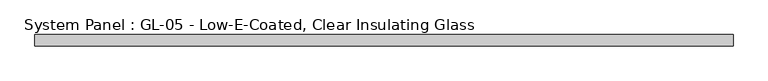
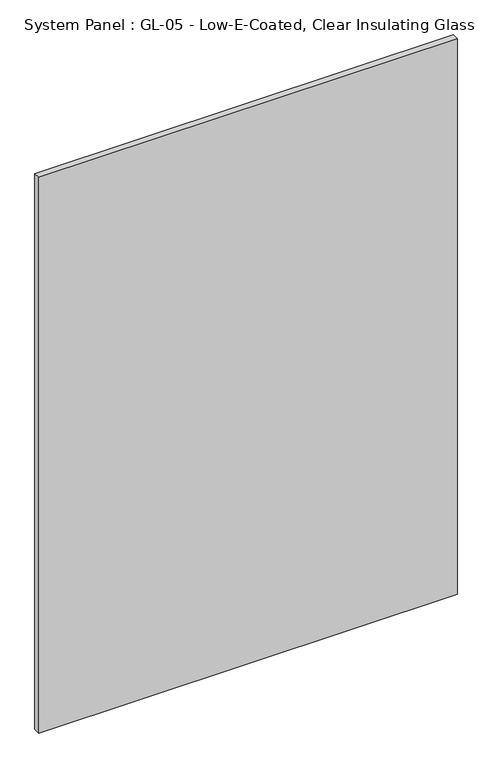
"""IFC4 building model written with IfcOpenShell, lengths in millimetres: plate geometry, System Panel : GL-05 - Low-E-Coated, Clear Insulating Glass."""

import ifcopenshell
import ifcopenshell.guid

model = None  # the IFC model being written
_history = None  # IfcOwnerHistory: only IFC2X3 demands one
_inside = {}  # id of a spatial element -> (the spatial element, [elements in it])
_under = {}  # id of a project, library or spatial element -> (it, [spatial elements below it])
_declared = {}  # id of a project -> (the project, [libraries it declares])
_typed = {}  # id of a type object -> (the type object, [elements of that type])
_made_of = {}  # id of a material, layer set ... -> (it, [elements and type objects made of it])


def new_model(schema):
    """Start an empty IFC model of exactly this schema.

    Asked for "IFC4X3", IfcOpenShell would pick the latest addendum, in which some entities
    have other attributes; the version numbers below select the first issue.
    IFC2X3 requires an IfcOwnerHistory on every rooted entity: one is made here for all.
    """
    global model, _history
    if schema == "IFC4X3":
        model = ifcopenshell.file(schema_version=(4, 3, 0, 0))
    else:
        model = ifcopenshell.file(schema=schema)
    _inside.clear()
    _under.clear()
    _declared.clear()
    _typed.clear()
    _made_of.clear()
    _history = None
    if model.schema == "IFC2X3":
        org = make("IfcOrganization", Name="unknown")
        user = make(
            "IfcPersonAndOrganization",
            ThePerson=make("IfcPerson", FamilyName="unknown"),
            TheOrganization=org,
        )
        app = make(
            "IfcApplication",
            ApplicationDeveloper=org,
            Version="unknown",
            ApplicationFullName="unknown",
            ApplicationIdentifier="unknown",
        )
        _history = make(
            "IfcOwnerHistory",
            OwningUser=user,
            OwningApplication=app,
            ChangeAction="ADDED",
            CreationDate=0,
        )
    return model


def make(cls, **values):
    """One entity of the class cls with the attributes given. An attribute that is None is left unset."""
    return model.create_entity(
        cls, **{name: value for name, value in values.items() if value is not None}
    )


def rooted(cls, **values):
    """An entity with a GlobalId (a new one), such as an element, a storey or a relation."""
    return make(cls, GlobalId=ifcopenshell.guid.new(), OwnerHistory=_history, **values)


def si_unit(unit_type, name, prefix=None):
    """IfcSIUnit, for example si_unit("LENGTHUNIT", "METRE", prefix="MILLI")."""
    return make("IfcSIUnit", UnitType=unit_type, Prefix=prefix, Name=name)


def assignment(units):
    """IfcUnitAssignment: the units of a project."""
    return None if units is None else make("IfcUnitAssignment", Units=units)


def point(xyz):
    """IfcCartesianPoint."""
    return None if xyz is None else make("IfcCartesianPoint", Coordinates=xyz)


def direction(xyz):
    """IfcDirection."""
    return None if xyz is None else make("IfcDirection", DirectionRatios=xyz)


def frame(location, z_axis=None, x_axis=None):
    """IfcAxis2Placement3D, a coordinate frame: its origin and axes. An axis left out is left unset."""
    return make(
        "IfcAxis2Placement3D",
        Location=point(location),
        Axis=direction(z_axis),
        RefDirection=direction(x_axis),
    )


def origin():
    """The frame at (0, 0, 0) with its axes left unset."""
    return frame((0.0, 0.0, 0.0))


def origin_with_axes():
    """The frame at (0, 0, 0) with the z axis (0, 0, 1) and the x axis (1, 0, 0) written out."""
    return frame((0.0, 0.0, 0.0), z_axis=(0.0, 0.0, 1.0), x_axis=(1.0, 0.0, 0.0))


def place(relative_to, where):
    """IfcLocalPlacement: puts the frame where relative to a parent placement (None: the world)."""
    return make(
        "IfcLocalPlacement", PlacementRelTo=relative_to, RelativePlacement=where
    )


def context(
    kind, dimensions, precision=None, world=None, true_north=None, identifier=None
):
    """IfcGeometricRepresentationContext, for example the 3D "Model" context."""
    return make(
        "IfcGeometricRepresentationContext",
        ContextIdentifier=identifier,
        ContextType=kind,
        CoordinateSpaceDimension=dimensions,
        Precision=precision,
        WorldCoordinateSystem=world,
        TrueNorth=true_north,
    )


def project(units=None, contexts=None):
    """IfcProject with its units and contexts."""
    return rooted(
        "IfcProject",
        Name="project",
        RepresentationContexts=contexts,
        UnitsInContext=assignment(units),
    )


def spatial(cls, under=None, at=None, **own):
    """A site, building, storey or space (cls), placed at a placement, below another one or the project."""
    s = rooted(cls, ObjectPlacement=at, **own)
    if under is not None:
        _under.setdefault(under.id(), (under, []))[1].append(s)
    return s


def polyline(points):
    """IfcPolyline through the points."""
    return make("IfcPolyline", Points=[point(p) for p in points])


def outline(outer, holes=None, kind="AREA"):
    """IfcArbitraryClosedProfileDef: a profile drawn as a closed curve; with holes, ...WithVoids."""
    if holes is None:
        return make("IfcArbitraryClosedProfileDef", ProfileType=kind, OuterCurve=outer)
    return make(
        "IfcArbitraryProfileDefWithVoids",
        ProfileType=kind,
        OuterCurve=outer,
        InnerCurves=holes,
    )


def extrude(swept, where, along, depth):
    """IfcExtrudedAreaSolid: the profile swept, set in the frame where, extruded along a direction by depth."""
    return make(
        "IfcExtrudedAreaSolid",
        SweptArea=swept,
        Position=where,
        ExtrudedDirection=direction(along),
        Depth=depth,
    )


def shape(context_of_items, identifier, shape_type, items):
    """IfcShapeRepresentation: the items that make up one representation, for example the "Body"."""
    return make(
        "IfcShapeRepresentation",
        ContextOfItems=context_of_items,
        RepresentationIdentifier=identifier,
        RepresentationType=shape_type,
        Items=items,
    )


def source(mapping_origin, context_of_items, identifier, shape_type, items):
    """IfcRepresentationMap: a shape defined once, which mapped items show again and again."""
    return make(
        "IfcRepresentationMap",
        MappingOrigin=mapping_origin,
        MappedRepresentation=shape(context_of_items, identifier, shape_type, items),
    )


def transform(
    local_origin,
    x_axis=None,
    y_axis=None,
    z_axis=None,
    scale=None,
    scale2=None,
    scale3=None,
    uniform=True,
):
    """IfcCartesianTransformationOperator3D, or its non-uniform kind. x_axis, y_axis, z_axis: its Axis1, 2, 3."""
    if uniform:
        return make(
            "IfcCartesianTransformationOperator3D",
            Axis1=direction(x_axis),
            Axis2=direction(y_axis),
            LocalOrigin=point(local_origin),
            Scale=scale,
            Axis3=direction(z_axis),
        )
    return make(
        "IfcCartesianTransformationOperator3DnonUniform",
        Axis1=direction(x_axis),
        Axis2=direction(y_axis),
        LocalOrigin=point(local_origin),
        Scale=scale,
        Axis3=direction(z_axis),
        Scale2=scale2,
        Scale3=scale3,
    )


def mapped(mapping_source, mapping_target):
    """IfcMappedItem: shows the shape of a source again, moved by a transform."""
    return make(
        "IfcMappedItem", MappingSource=mapping_source, MappingTarget=mapping_target
    )


def made_of(thing, what):
    """Note that an element or type object is made of a material, layer set ...; save() writes the relation."""
    if what is not None:
        _made_of.setdefault(what.id(), (what, []))[1].append(thing)
    return thing


def element(
    cls,
    number,
    at=None,
    inside=None,
    cuts=None,
    type_object=None,
    material=None,
    context=None,
    identifier="Body",
    shape_type=None,
    held_by="IfcProductDefinitionShape",
    body=None,
    shapes=None,
    **own,
):
    """One element of the class cls, such as IfcWall. Its Tag is "e" and its number.

    at: its placement. inside: the storey or other place that contains it. cuts: it is an
    opening in that element (IfcRelVoidsElement). A single representation is given by context,
    identifier, shape_type and body (its items); several are given by shapes. held_by: the class
    of the entity that holds the representations. save() writes the other relations.
    """
    e = rooted(cls, Tag="e%d" % number, ObjectPlacement=at, **own)
    if body is not None:
        shapes = [shape(context, identifier, shape_type, body)]
    if shapes is not None:
        e.Representation = make(held_by, Representations=shapes)
    if inside is not None:
        _inside.setdefault(inside.id(), (inside, []))[1].append(e)
    if cuts is not None:
        rooted(
            "IfcRelVoidsElement", RelatingBuildingElement=cuts, RelatedOpeningElement=e
        )
    if type_object is not None:
        _typed.setdefault(type_object.id(), (type_object, []))[1].append(e)
    return made_of(e, material)


def aggregate(whole, parts):
    """IfcRelAggregates: a whole, such as a stair, and the parts it consists of."""
    return rooted("IfcRelAggregates", RelatingObject=whole, RelatedObjects=parts)


def save(model, path):
    """Write the relations noted so far, then the file.

    IfcRelAggregates (storeys below a building ...), IfcRelContainedInSpatialStructure (elements
    in a storey), IfcRelDefinesByType, IfcRelAssociatesMaterial and IfcRelDeclares: one each for
    every whole, place, type object, material and project.
    """
    for whole, parts in _under.values():
        aggregate(whole, parts)
    for where, things in _inside.values():
        rooted(
            "IfcRelContainedInSpatialStructure",
            RelatedElements=things,
            RelatingStructure=where,
        )
    for kind, things in _typed.values():
        rooted("IfcRelDefinesByType", RelatedObjects=things, RelatingType=kind)
    for what, things in _made_of.values():
        rooted("IfcRelAssociatesMaterial", RelatedObjects=things, RelatingMaterial=what)
    for by, libraries in _declared.values():
        rooted("IfcRelDeclares", RelatingContext=by, RelatedDefinitions=libraries)
    model.write(path)


def system_panel_gl_05_low_e_coated_clear_insulating_glass_10acbdc4(model_context):
    return source(origin(), model_context, "Body", "SweptSolid", [
        extrude(outline(polyline([(779.4625, -12.7), (-779.4625, -12.7), (-779.4625, 12.7), (779.4625, 12.7), (779.4625, -12.7)])), origin_with_axes(), (0.0, 0.0, 1.0), 2186.8423077),
    ])


if __name__ == "__main__":
    model = new_model("IFC4")
    model_context = context("Model", 3, world=origin())
    ifc_project = project(units=[si_unit("LENGTHUNIT", "METRE", prefix="MILLI")], contexts=[model_context])
    site = spatial("IfcSite", under=ifc_project)
    building = spatial("IfcBuilding", under=site)
    placement = place(None, origin())
    system_panel_gl_05_low_e_coated_clear_insulating_glass_shape = system_panel_gl_05_low_e_coated_clear_insulating_glass_10acbdc4(model_context)
    element("IfcPlate", 1, ObjectType="System Panel : GL-05 - Low-E-Coated, Clear Insulating Glass", at=placement, inside=building, context=model_context, shape_type="MappedRepresentation", body=[
        mapped(system_panel_gl_05_low_e_coated_clear_insulating_glass_shape, transform((0.0, 0.0, 0.0), x_axis=(1.0, 0.0, 0.0), y_axis=(0.0, 1.0, 0.0), z_axis=(0.0, 0.0, 1.0))),
    ])
    save(model, "model.ifc")
